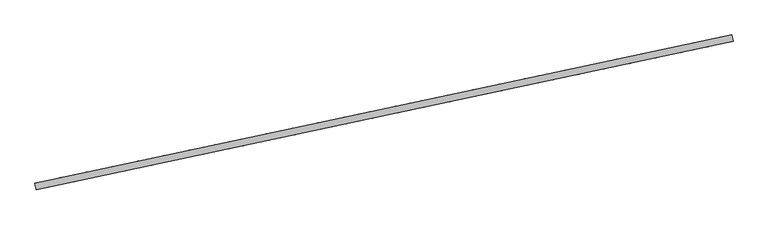
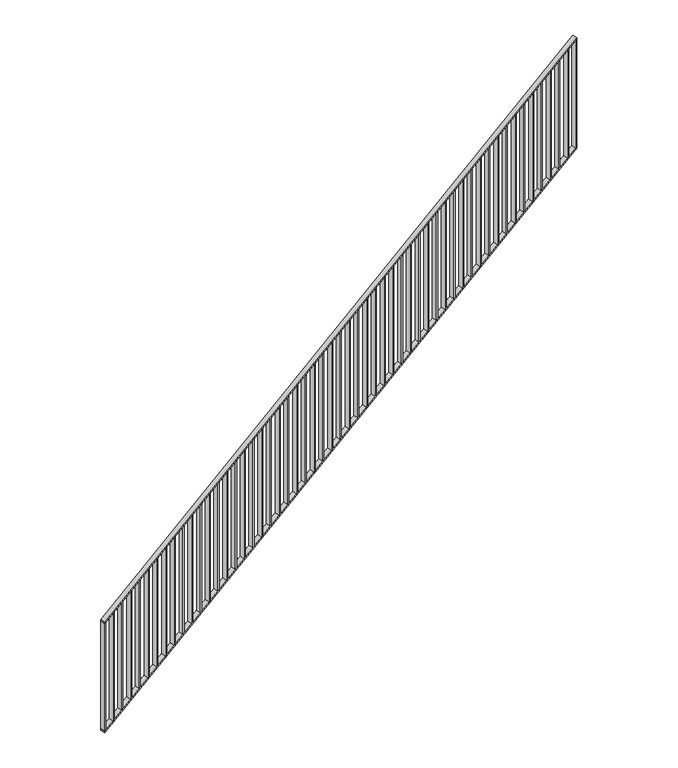
"""IFC4 building model written with IfcOpenShell, lengths in millimetres: railing geometry."""

import ifcopenshell
import ifcopenshell.guid

model = None  # the IFC model being written
_history = None  # IfcOwnerHistory: only IFC2X3 demands one
_inside = {}  # id of a spatial element -> (the spatial element, [elements in it])
_under = {}  # id of a project, library or spatial element -> (it, [spatial elements below it])
_declared = {}  # id of a project -> (the project, [libraries it declares])
_typed = {}  # id of a type object -> (the type object, [elements of that type])
_made_of = {}  # id of a material, layer set ... -> (it, [elements and type objects made of it])


def new_model(schema):
    """Start an empty IFC model of exactly this schema.

    Asked for "IFC4X3", IfcOpenShell would pick the latest addendum, in which some entities
    have other attributes; the version numbers below select the first issue.
    IFC2X3 requires an IfcOwnerHistory on every rooted entity: one is made here for all.
    """
    global model, _history
    if schema == "IFC4X3":
        model = ifcopenshell.file(schema_version=(4, 3, 0, 0))
    else:
        model = ifcopenshell.file(schema=schema)
    _inside.clear()
    _under.clear()
    _declared.clear()
    _typed.clear()
    _made_of.clear()
    _history = None
    if model.schema == "IFC2X3":
        org = make("IfcOrganization", Name="unknown")
        user = make(
            "IfcPersonAndOrganization",
            ThePerson=make("IfcPerson", FamilyName="unknown"),
            TheOrganization=org,
        )
        app = make(
            "IfcApplication",
            ApplicationDeveloper=org,
            Version="unknown",
            ApplicationFullName="unknown",
            ApplicationIdentifier="unknown",
        )
        _history = make(
            "IfcOwnerHistory",
            OwningUser=user,
            OwningApplication=app,
            ChangeAction="ADDED",
            CreationDate=0,
        )
    return model


def make(cls, **values):
    """One entity of the class cls with the attributes given. An attribute that is None is left unset."""
    return model.create_entity(
        cls, **{name: value for name, value in values.items() if value is not None}
    )


def rooted(cls, **values):
    """An entity with a GlobalId (a new one), such as an element, a storey or a relation."""
    return make(cls, GlobalId=ifcopenshell.guid.new(), OwnerHistory=_history, **values)


def si_unit(unit_type, name, prefix=None):
    """IfcSIUnit, for example si_unit("LENGTHUNIT", "METRE", prefix="MILLI")."""
    return make("IfcSIUnit", UnitType=unit_type, Prefix=prefix, Name=name)


def assignment(units):
    """IfcUnitAssignment: the units of a project."""
    return None if units is None else make("IfcUnitAssignment", Units=units)


def point(xyz):
    """IfcCartesianPoint."""
    return None if xyz is None else make("IfcCartesianPoint", Coordinates=xyz)


def direction(xyz):
    """IfcDirection."""
    return None if xyz is None else make("IfcDirection", DirectionRatios=xyz)


def frame(location, z_axis=None, x_axis=None):
    """IfcAxis2Placement3D, a coordinate frame: its origin and axes. An axis left out is left unset."""
    return make(
        "IfcAxis2Placement3D",
        Location=point(location),
        Axis=direction(z_axis),
        RefDirection=direction(x_axis),
    )


def origin():
    """The frame at (0, 0, 0) with its axes left unset."""
    return frame((0.0, 0.0, 0.0))


def place(relative_to, where):
    """IfcLocalPlacement: puts the frame where relative to a parent placement (None: the world)."""
    return make(
        "IfcLocalPlacement", PlacementRelTo=relative_to, RelativePlacement=where
    )


def context(
    kind, dimensions, precision=None, world=None, true_north=None, identifier=None
):
    """IfcGeometricRepresentationContext, for example the 3D "Model" context."""
    return make(
        "IfcGeometricRepresentationContext",
        ContextIdentifier=identifier,
        ContextType=kind,
        CoordinateSpaceDimension=dimensions,
        Precision=precision,
        WorldCoordinateSystem=world,
        TrueNorth=true_north,
    )


def project(units=None, contexts=None):
    """IfcProject with its units and contexts."""
    return rooted(
        "IfcProject",
        Name="project",
        RepresentationContexts=contexts,
        UnitsInContext=assignment(units),
    )


def spatial(cls, under=None, at=None, **own):
    """A site, building, storey or space (cls), placed at a placement, below another one or the project."""
    s = rooted(cls, ObjectPlacement=at, **own)
    if under is not None:
        _under.setdefault(under.id(), (under, []))[1].append(s)
    return s


def polyline(points):
    """IfcPolyline through the points."""
    return make("IfcPolyline", Points=[point(p) for p in points])


def outline(outer, holes=None, kind="AREA"):
    """IfcArbitraryClosedProfileDef: a profile drawn as a closed curve; with holes, ...WithVoids."""
    if holes is None:
        return make("IfcArbitraryClosedProfileDef", ProfileType=kind, OuterCurve=outer)
    return make(
        "IfcArbitraryProfileDefWithVoids",
        ProfileType=kind,
        OuterCurve=outer,
        InnerCurves=holes,
    )


def extrude(swept, where, along, depth):
    """IfcExtrudedAreaSolid: the profile swept, set in the frame where, extruded along a direction by depth."""
    return make(
        "IfcExtrudedAreaSolid",
        SweptArea=swept,
        Position=where,
        ExtrudedDirection=direction(along),
        Depth=depth,
    )


def shape(context_of_items, identifier, shape_type, items):
    """IfcShapeRepresentation: the items that make up one representation, for example the "Body"."""
    return make(
        "IfcShapeRepresentation",
        ContextOfItems=context_of_items,
        RepresentationIdentifier=identifier,
        RepresentationType=shape_type,
        Items=items,
    )


def source(mapping_origin, context_of_items, identifier, shape_type, items):
    """IfcRepresentationMap: a shape defined once, which mapped items show again and again."""
    return make(
        "IfcRepresentationMap",
        MappingOrigin=mapping_origin,
        MappedRepresentation=shape(context_of_items, identifier, shape_type, items),
    )


def transform(
    local_origin,
    x_axis=None,
    y_axis=None,
    z_axis=None,
    scale=None,
    scale2=None,
    scale3=None,
    uniform=True,
):
    """IfcCartesianTransformationOperator3D, or its non-uniform kind. x_axis, y_axis, z_axis: its Axis1, 2, 3."""
    if uniform:
        return make(
            "IfcCartesianTransformationOperator3D",
            Axis1=direction(x_axis),
            Axis2=direction(y_axis),
            LocalOrigin=point(local_origin),
            Scale=scale,
            Axis3=direction(z_axis),
        )
    return make(
        "IfcCartesianTransformationOperator3DnonUniform",
        Axis1=direction(x_axis),
        Axis2=direction(y_axis),
        LocalOrigin=point(local_origin),
        Scale=scale,
        Axis3=direction(z_axis),
        Scale2=scale2,
        Scale3=scale3,
    )


def mapped(mapping_source, mapping_target):
    """IfcMappedItem: shows the shape of a source again, moved by a transform."""
    return make(
        "IfcMappedItem", MappingSource=mapping_source, MappingTarget=mapping_target
    )


def made_of(thing, what):
    """Note that an element or type object is made of a material, layer set ...; save() writes the relation."""
    if what is not None:
        _made_of.setdefault(what.id(), (what, []))[1].append(thing)
    return thing


def element(
    cls,
    number,
    at=None,
    inside=None,
    cuts=None,
    type_object=None,
    material=None,
    context=None,
    identifier="Body",
    shape_type=None,
    held_by="IfcProductDefinitionShape",
    body=None,
    shapes=None,
    **own,
):
    """One element of the class cls, such as IfcWall. Its Tag is "e" and its number.

    at: its placement. inside: the storey or other place that contains it. cuts: it is an
    opening in that element (IfcRelVoidsElement). A single representation is given by context,
    identifier, shape_type and body (its items); several are given by shapes. held_by: the class
    of the entity that holds the representations. save() writes the other relations.
    """
    e = rooted(cls, Tag="e%d" % number, ObjectPlacement=at, **own)
    if body is not None:
        shapes = [shape(context, identifier, shape_type, body)]
    if shapes is not None:
        e.Representation = make(held_by, Representations=shapes)
    if inside is not None:
        _inside.setdefault(inside.id(), (inside, []))[1].append(e)
    if cuts is not None:
        rooted(
            "IfcRelVoidsElement", RelatingBuildingElement=cuts, RelatedOpeningElement=e
        )
    if type_object is not None:
        _typed.setdefault(type_object.id(), (type_object, []))[1].append(e)
    return made_of(e, material)


def aggregate(whole, parts):
    """IfcRelAggregates: a whole, such as a stair, and the parts it consists of."""
    return rooted("IfcRelAggregates", RelatingObject=whole, RelatedObjects=parts)


def save(model, path):
    """Write the relations noted so far, then the file.

    IfcRelAggregates (storeys below a building ...), IfcRelContainedInSpatialStructure (elements
    in a storey), IfcRelDefinesByType, IfcRelAssociatesMaterial and IfcRelDeclares: one each for
    every whole, place, type object, material and project.
    """
    for whole, parts in _under.values():
        aggregate(whole, parts)
    for where, things in _inside.values():
        rooted(
            "IfcRelContainedInSpatialStructure",
            RelatedElements=things,
            RelatingStructure=where,
        )
    for kind, things in _typed.values():
        rooted("IfcRelDefinesByType", RelatedObjects=things, RelatingType=kind)
    for what, things in _made_of.values():
        rooted("IfcRelAssociatesMaterial", RelatedObjects=things, RelatingMaterial=what)
    for by, libraries in _declared.values():
        rooted("IfcRelDeclares", RelatingContext=by, RelatedDefinitions=libraries)
    model.write(path)


def railing_edc77df6(model_context):
    return source(origin(), model_context, "Body", "SweptSolid", [
        extrude(outline(polyline([(6.5500955, -10.0), (0.0, 0.0), (5132.946191, 0.0), (5139.4962865, -10.0), (6.5500955, -10.0)])), frame((20003.0355107, -81914.280955, 1175.5457643), z_axis=(-0.20791169081775962, 0.9781476007338056, 0.0), x_axis=(0.8182435279368776, 0.17392303090701164, 0.5479309338863166)), (0.0, 0.0, 1.0), 40.0),
        extrude(outline(polyline([(6.5500955, -10.0), (0.0, 0.0), (5132.946191, 0.0), (5139.4962865, -10.0), (6.5500955, -10.0)])), frame((20003.0355107, -81914.280955, 275.5457643), z_axis=(-0.20791169081775962, 0.9781476007338057, 0.0), x_axis=(0.8182435279368775, 0.1739230309070116, 0.5479309338863166)), (0.0, 0.0, 1.0), 40.0),
        extrude(outline(polyline([(103.2750478, 0.0), (993.2750478, 0.0), (986.7249523, -10.0), (96.7249523, -10.0), (103.2750478, 0.0)])), frame((24120.3669949, -81039.1151314, 4037.9166667), z_axis=(-0.20791169081775962, 0.9781476007338056, 0.0), x_axis=(0.0, 0.0, -1.0)), (0.0, 0.0, 1.0), 40.0),
        extrude(outline(polyline([(103.2750477, 0.0), (993.2750477, 0.0), (986.7249522, -10.0), (96.7249522, -10.0), (103.2750477, 0.0)])), frame((24042.5892171, -81055.6473084, 3985.8333333), z_axis=(-0.20791169081775962, 0.9781476007338056, 0.0), x_axis=(0.0, 0.0, -1.0)), (0.0, 0.0, 1.0), 40.0),
        extrude(outline(polyline([(103.2750478, 0.0), (993.2750478, 0.0), (986.7249522, -10.0000001), (96.7249522, -10.0000001), (103.2750478, 0.0)])), frame((23964.8114393, -81072.1794855, 3933.75), z_axis=(-0.20791169081775962, 0.9781476007338056, 0.0), x_axis=(0.0, 0.0, -1.0)), (0.0, 0.0, 1.0), 40.0),
        extrude(outline(polyline([(103.2750478, 0.0), (993.2750478, 0.0), (986.7249523, -10.0), (96.7249523, -10.0), (103.2750478, 0.0)])), frame((23887.0336616, -81088.7116625, 3881.6666667), z_axis=(-0.20791169081775962, 0.9781476007338056, 0.0), x_axis=(0.0, 0.0, -1.0)), (0.0, 0.0, 1.0), 40.0),
        extrude(outline(polyline([(103.2750477, 0.0), (993.2750477, 0.0), (986.7249522, -10.0), (96.7249522, -10.0), (103.2750477, 0.0)])), frame((23809.2558838, -81105.2438395, 3829.5833333), z_axis=(-0.20791169081775962, 0.9781476007338056, 0.0), x_axis=(0.0, 0.0, -1.0)), (0.0, 0.0, 1.0), 40.0),
        extrude(outline(polyline([(103.2750478, 0.0), (993.2750478, 0.0), (986.7249522, -10.0), (96.7249522, -10.0), (103.2750478, 0.0)])), frame((23731.478106, -81121.7760165, 3777.5), z_axis=(-0.20791169081775962, 0.9781476007338056, 0.0), x_axis=(0.0, 0.0, -1.0)), (0.0, 0.0, 1.0), 40.0),
        extrude(outline(polyline([(103.2750478, 0.0), (993.2750478, 0.0), (986.7249523, -10.0), (96.7249523, -10.0), (103.2750478, 0.0)])), frame((23653.7003282, -81138.3081935, 3725.4166667), z_axis=(-0.20791169081775962, 0.9781476007338056, 0.0), x_axis=(0.0, 0.0, -1.0)), (0.0, 0.0, 1.0), 40.0),
        extrude(outline(polyline([(103.2750477, 0.0), (993.2750477, 0.0), (986.7249522, -10.0), (96.7249522, -10.0), (103.2750477, 0.0)])), frame((23575.9225505, -81154.8403706, 3673.3333333), z_axis=(-0.20791169081775962, 0.9781476007338056, 0.0), x_axis=(0.0, 0.0, -1.0)), (0.0, 0.0, 1.0), 40.0),
        extrude(outline(polyline([(103.2750478, 0.0), (993.2750478, 0.0), (986.7249522, -10.0), (96.7249522, -10.0), (103.2750478, 0.0)])), frame((23498.1447727, -81171.3725476, 3621.25), z_axis=(-0.20791169081775962, 0.9781476007338056, 0.0), x_axis=(0.0, 0.0, -1.0)), (0.0, 0.0, 1.0), 40.0),
        extrude(outline(polyline([(103.2750478, 0.0), (993.2750478, 0.0), (986.7249523, -10.0), (96.7249523, -10.0), (103.2750478, 0.0)])), frame((23420.3669949, -81187.9047246, 3569.1666667), z_axis=(-0.20791169081775962, 0.9781476007338056, 0.0), x_axis=(0.0, 0.0, -1.0)), (0.0, 0.0, 1.0), 40.0),
        extrude(outline(polyline([(103.2750477, 0.0), (993.2750477, 0.0), (986.7249522, -10.0), (96.7249522, -10.0), (103.2750477, 0.0)])), frame((23342.5892171, -81204.4369016, 3517.0833333), z_axis=(-0.20791169081775962, 0.9781476007338056, 0.0), x_axis=(0.0, 0.0, -1.0)), (0.0, 0.0, 1.0), 40.0),
        extrude(outline(polyline([(103.2750478, 0.0), (993.2750478, 0.0), (986.7249522, -10.0000001), (96.7249522, -10.0000001), (103.2750478, 0.0)])), frame((23264.8114393, -81220.9690786, 3465.0), z_axis=(-0.20791169081775962, 0.9781476007338056, 0.0), x_axis=(0.0, 0.0, -1.0)), (0.0, 0.0, 1.0), 40.0),
        extrude(outline(polyline([(103.2750478, 0.0), (993.2750478, 0.0), (986.7249523, -10.0), (96.7249523, -10.0), (103.2750478, 0.0)])), frame((23187.0336616, -81237.5012557, 3412.9166667), z_axis=(-0.20791169081775962, 0.9781476007338056, 0.0), x_axis=(0.0, 0.0, -1.0)), (0.0, 0.0, 1.0), 40.0),
        extrude(outline(polyline([(103.2750477, 0.0), (993.2750477, 0.0), (986.7249522, -10.0), (96.7249522, -10.0), (103.2750477, 0.0)])), frame((23109.2558838, -81254.0334327, 3360.8333333), z_axis=(-0.20791169081775962, 0.9781476007338056, 0.0), x_axis=(0.0, 0.0, -1.0)), (0.0, 0.0, 1.0), 40.0),
        extrude(outline(polyline([(103.2750478, 0.0), (993.2750478, 0.0), (986.7249522, -10.0), (96.7249522, -10.0), (103.2750478, 0.0)])), frame((23031.478106, -81270.5656097, 3308.75), z_axis=(-0.20791169081775962, 0.9781476007338056, 0.0), x_axis=(0.0, 0.0, -1.0)), (0.0, 0.0, 1.0), 40.0),
        extrude(outline(polyline([(103.2750478, 0.0), (993.2750478, 0.0), (986.7249523, -10.0), (96.7249523, -10.0), (103.2750478, 0.0)])), frame((22953.7003282, -81287.0977867, 3256.6666667), z_axis=(-0.20791169081775962, 0.9781476007338056, 0.0), x_axis=(0.0, 0.0, -1.0)), (0.0, 0.0, 1.0), 40.0),
        extrude(outline(polyline([(103.2750477, 0.0), (993.2750477, 0.0), (986.7249522, -10.0), (96.7249522, -10.0), (103.2750477, 0.0)])), frame((22875.9225505, -81303.6299637, 3204.5833333), z_axis=(-0.20791169081775962, 0.9781476007338056, 0.0), x_axis=(0.0, 0.0, -1.0)), (0.0, 0.0, 1.0), 40.0),
        extrude(outline(polyline([(103.2750478, 0.0), (993.2750478, 0.0), (986.7249522, -10.0), (96.7249522, -10.0), (103.2750478, 0.0)])), frame((22798.1447727, -81320.1621407, 3152.5), z_axis=(-0.20791169081775962, 0.9781476007338056, 0.0), x_axis=(0.0, 0.0, -1.0)), (0.0, 0.0, 1.0), 40.0),
        extrude(outline(polyline([(103.2750478, 0.0), (993.2750478, 0.0), (986.7249523, -10.0), (96.7249523, -10.0), (103.2750478, 0.0)])), frame((22720.3669949, -81336.6943178, 3100.4166667), z_axis=(-0.20791169081775962, 0.9781476007338056, 0.0), x_axis=(0.0, 0.0, -1.0)), (0.0, 0.0, 1.0), 40.0),
        extrude(outline(polyline([(103.2750477, 0.0), (993.2750477, 0.0), (986.7249522, -10.0), (96.7249522, -10.0), (103.2750477, 0.0)])), frame((22642.5892171, -81353.2264948, 3048.3333333), z_axis=(-0.20791169081775962, 0.9781476007338056, 0.0), x_axis=(0.0, 0.0, -1.0)), (0.0, 0.0, 1.0), 40.0),
        extrude(outline(polyline([(103.2750478, 0.0), (993.2750478, 0.0), (986.7249522, -10.0000001), (96.7249522, -10.0000001), (103.2750478, 0.0)])), frame((22564.8114393, -81369.7586718, 2996.25), z_axis=(-0.20791169081775962, 0.9781476007338056, 0.0), x_axis=(0.0, 0.0, -1.0)), (0.0, 0.0, 1.0), 40.0),
        extrude(outline(polyline([(103.2750478, 0.0), (993.2750478, 0.0), (986.7249523, -10.0), (96.7249523, -10.0), (103.2750478, 0.0)])), frame((22487.0336616, -81386.2908488, 2944.1666667), z_axis=(-0.20791169081775962, 0.9781476007338056, 0.0), x_axis=(0.0, 0.0, -1.0)), (0.0, 0.0, 1.0), 40.0),
        extrude(outline(polyline([(103.2750477, 0.0), (993.2750477, 0.0), (986.7249522, -10.0), (96.7249522, -10.0), (103.2750477, 0.0)])), frame((22409.2558838, -81402.8230258, 2892.0833333), z_axis=(-0.20791169081775962, 0.9781476007338056, 0.0), x_axis=(0.0, 0.0, -1.0)), (0.0, 0.0, 1.0), 40.0),
        extrude(outline(polyline([(103.2750478, 0.0), (993.2750478, 0.0), (986.7249522, -10.0), (96.7249522, -10.0), (103.2750478, 0.0)])), frame((22331.478106, -81419.3552029, 2840.0), z_axis=(-0.20791169081775962, 0.9781476007338056, 0.0), x_axis=(0.0, 0.0, -1.0)), (0.0, 0.0, 1.0), 40.0),
        extrude(outline(polyline([(103.2750478, 0.0), (993.2750478, 0.0), (986.7249523, -10.0), (96.7249523, -10.0), (103.2750478, 0.0)])), frame((22253.7003282, -81435.8873799, 2787.9166667), z_axis=(-0.20791169081775962, 0.9781476007338056, 0.0), x_axis=(0.0, 0.0, -1.0)), (0.0, 0.0, 1.0), 40.0),
        extrude(outline(polyline([(103.2750477, 0.0), (993.2750477, 0.0), (986.7249522, -10.0), (96.7249522, -10.0), (103.2750477, 0.0)])), frame((22175.9225505, -81452.4195569, 2735.8333333), z_axis=(-0.20791169081775962, 0.9781476007338056, 0.0), x_axis=(0.0, 0.0, -1.0)), (0.0, 0.0, 1.0), 40.0),
        extrude(outline(polyline([(103.2750478, 0.0), (993.2750478, 0.0), (986.7249522, -10.0), (96.7249522, -10.0), (103.2750478, 0.0)])), frame((22098.1447727, -81468.9517339, 2683.75), z_axis=(-0.20791169081775962, 0.9781476007338056, 0.0), x_axis=(0.0, 0.0, -1.0)), (0.0, 0.0, 1.0), 40.0),
        extrude(outline(polyline([(103.2750478, 0.0), (993.2750478, 0.0), (986.7249523, -10.0), (96.7249523, -10.0), (103.2750478, 0.0)])), frame((22020.3669949, -81485.4839109, 2631.6666667), z_axis=(-0.20791169081775962, 0.9781476007338056, 0.0), x_axis=(0.0, 0.0, -1.0)), (0.0, 0.0, 1.0), 40.0),
        extrude(outline(polyline([(103.2750477, 0.0), (993.2750477, 0.0), (986.7249522, -10.0), (96.7249522, -10.0), (103.2750477, 0.0)])), frame((21942.5892171, -81502.016088, 2579.5833333), z_axis=(-0.20791169081775962, 0.9781476007338056, 0.0), x_axis=(0.0, 0.0, -1.0)), (0.0, 0.0, 1.0), 40.0),
        extrude(outline(polyline([(103.2750478, 0.0), (993.2750478, 0.0), (986.7249522, -10.0000001), (96.7249522, -10.0000001), (103.2750478, 0.0)])), frame((21864.8114393, -81518.548265, 2527.5), z_axis=(-0.20791169081775962, 0.9781476007338056, 0.0), x_axis=(0.0, 0.0, -1.0)), (0.0, 0.0, 1.0), 40.0),
        extrude(outline(polyline([(103.2750478, 0.0), (993.2750478, 0.0), (986.7249523, -10.0), (96.7249523, -10.0), (103.2750478, 0.0)])), frame((21787.0336616, -81535.080442, 2475.4166667), z_axis=(-0.20791169081775962, 0.9781476007338056, 0.0), x_axis=(0.0, 0.0, -1.0)), (0.0, 0.0, 1.0), 40.0),
        extrude(outline(polyline([(103.2750477, 0.0), (993.2750477, 0.0), (986.7249522, -10.0), (96.7249522, -10.0), (103.2750477, 0.0)])), frame((21709.2558838, -81551.612619, 2423.3333333), z_axis=(-0.20791169081775962, 0.9781476007338056, 0.0), x_axis=(0.0, 0.0, -1.0)), (0.0, 0.0, 1.0), 40.0),
        extrude(outline(polyline([(103.2750478, 0.0), (993.2750478, 0.0), (986.7249522, -10.0), (96.7249522, -10.0), (103.2750478, 0.0)])), frame((21631.478106, -81568.144796, 2371.25), z_axis=(-0.20791169081775962, 0.9781476007338056, 0.0), x_axis=(0.0, 0.0, -1.0)), (0.0, 0.0, 1.0), 40.0),
        extrude(outline(polyline([(103.2750478, 0.0), (993.2750478, 0.0), (986.7249523, -10.0), (96.7249523, -10.0), (103.2750478, 0.0)])), frame((21553.7003282, -81584.676973, 2319.1666667), z_axis=(-0.20791169081775962, 0.9781476007338056, 0.0), x_axis=(0.0, 0.0, -1.0)), (0.0, 0.0, 1.0), 40.0),
        extrude(outline(polyline([(103.2750477, 0.0), (993.2750477, 0.0), (986.7249522, -10.0), (96.7249522, -10.0), (103.2750477, 0.0)])), frame((21475.9225505, -81601.2091501, 2267.0833333), z_axis=(-0.20791169081775962, 0.9781476007338056, 0.0), x_axis=(0.0, 0.0, -1.0)), (0.0, 0.0, 1.0), 40.0),
        extrude(outline(polyline([(103.2750478, 0.0), (993.2750478, 0.0), (986.7249522, -10.0), (96.7249522, -10.0), (103.2750478, 0.0)])), frame((21398.1447727, -81617.7413271, 2215.0), z_axis=(-0.20791169081775962, 0.9781476007338056, 0.0), x_axis=(0.0, 0.0, -1.0)), (0.0, 0.0, 1.0), 40.0),
        extrude(outline(polyline([(103.2750478, 0.0), (993.2750478, 0.0), (986.7249523, -10.0), (96.7249523, -10.0), (103.2750478, 0.0)])), frame((21320.3669949, -81634.2735041, 2162.9166667), z_axis=(-0.20791169081775962, 0.9781476007338056, 0.0), x_axis=(0.0, 0.0, -1.0)), (0.0, 0.0, 1.0), 40.0),
        extrude(outline(polyline([(103.2750477, 0.0), (993.2750477, 0.0), (986.7249522, -10.0), (96.7249522, -10.0), (103.2750477, 0.0)])), frame((21242.5892171, -81650.8056811, 2110.8333333), z_axis=(-0.20791169081775962, 0.9781476007338056, 0.0), x_axis=(0.0, 0.0, -1.0)), (0.0, 0.0, 1.0), 40.0),
        extrude(outline(polyline([(103.2750478, 0.0), (993.2750478, 0.0), (986.7249522, -10.0000001), (96.7249522, -10.0000001), (103.2750478, 0.0)])), frame((21164.8114393, -81667.3378581, 2058.75), z_axis=(-0.20791169081775962, 0.9781476007338056, 0.0), x_axis=(0.0, 0.0, -1.0)), (0.0, 0.0, 1.0), 40.0),
        extrude(outline(polyline([(103.2750478, 0.0), (993.2750478, 0.0), (986.7249523, -10.0), (96.7249523, -10.0), (103.2750478, 0.0)])), frame((21087.0336616, -81683.8700352, 2006.6666667), z_axis=(-0.20791169081775962, 0.9781476007338056, 0.0), x_axis=(0.0, 0.0, -1.0)), (0.0, 0.0, 1.0), 40.0),
        extrude(outline(polyline([(103.2750477, 0.0), (993.2750477, 0.0), (986.7249522, -10.0), (96.7249522, -10.0), (103.2750477, 0.0)])), frame((21009.2558838, -81700.4022122, 1954.5833333), z_axis=(-0.20791169081775962, 0.9781476007338056, 0.0), x_axis=(0.0, 0.0, -1.0)), (0.0, 0.0, 1.0), 40.0),
        extrude(outline(polyline([(103.2750478, 0.0), (993.2750478, 0.0), (986.7249522, -10.0), (96.7249522, -10.0), (103.2750478, 0.0)])), frame((20931.478106, -81716.9343892, 1902.5), z_axis=(-0.20791169081775962, 0.9781476007338056, 0.0), x_axis=(0.0, 0.0, -1.0)), (0.0, 0.0, 1.0), 40.0),
        extrude(outline(polyline([(103.2750478, 0.0), (993.2750478, 0.0), (986.7249523, -10.0), (96.7249523, -10.0), (103.2750478, 0.0)])), frame((20853.7003282, -81733.4665662, 1850.4166667), z_axis=(-0.20791169081775962, 0.9781476007338056, 0.0), x_axis=(0.0, 0.0, -1.0)), (0.0, 0.0, 1.0), 40.0),
        extrude(outline(polyline([(103.2750477, 0.0), (993.2750477, 0.0), (986.7249522, -10.0), (96.7249522, -10.0), (103.2750477, 0.0)])), frame((20775.9225505, -81749.9987432, 1798.3333333), z_axis=(-0.20791169081775962, 0.9781476007338056, 0.0), x_axis=(0.0, 0.0, -1.0)), (0.0, 0.0, 1.0), 40.0),
        extrude(outline(polyline([(103.2750478, 0.0), (993.2750478, 0.0), (986.7249522, -10.0), (96.7249522, -10.0), (103.2750478, 0.0)])), frame((20698.1447727, -81766.5309203, 1746.25), z_axis=(-0.20791169081775962, 0.9781476007338056, 0.0), x_axis=(0.0, 0.0, -1.0)), (0.0, 0.0, 1.0), 40.0),
        extrude(outline(polyline([(103.2750478, 0.0), (993.2750478, 0.0), (986.7249523, -10.0), (96.7249523, -10.0), (103.2750478, 0.0)])), frame((20620.3669949, -81783.0630973, 1694.1666667), z_axis=(-0.20791169081775962, 0.9781476007338056, 0.0), x_axis=(0.0, 0.0, -1.0)), (0.0, 0.0, 1.0), 40.0),
        extrude(outline(polyline([(103.2750477, 0.0), (993.2750477, 0.0), (986.7249522, -10.0), (96.7249522, -10.0), (103.2750477, 0.0)])), frame((20542.5892171, -81799.5952743, 1642.0833333), z_axis=(-0.20791169081775962, 0.9781476007338056, 0.0), x_axis=(0.0, 0.0, -1.0)), (0.0, 0.0, 1.0), 40.0),
        extrude(outline(polyline([(103.2750478, 0.0), (993.2750478, 0.0), (986.7249522, -10.0000001), (96.7249522, -10.0000001), (103.2750478, 0.0)])), frame((20464.8114393, -81816.1274513, 1590.0), z_axis=(-0.20791169081775962, 0.9781476007338056, 0.0), x_axis=(0.0, 0.0, -1.0)), (0.0, 0.0, 1.0), 40.0),
        extrude(outline(polyline([(103.2750478, 0.0), (993.2750478, 0.0), (986.7249523, -10.0), (96.7249523, -10.0), (103.2750478, 0.0)])), frame((20387.0336616, -81832.6596283, 1537.9166667), z_axis=(-0.20791169081775962, 0.9781476007338056, 0.0), x_axis=(0.0, 0.0, -1.0)), (0.0, 0.0, 1.0), 40.0),
        extrude(outline(polyline([(103.2750477, 0.0), (993.2750477, 0.0), (986.7249522, -10.0), (96.7249522, -10.0), (103.2750477, 0.0)])), frame((20309.2558838, -81849.1918053, 1485.8333333), z_axis=(-0.20791169081775962, 0.9781476007338056, 0.0), x_axis=(0.0, 0.0, -1.0)), (0.0, 0.0, 1.0), 40.0),
        extrude(outline(polyline([(103.2750478, 0.0), (993.2750478, 0.0), (986.7249522, -10.0), (96.7249522, -10.0), (103.2750478, 0.0)])), frame((20231.478106, -81865.7239824, 1433.75), z_axis=(-0.20791169081775962, 0.9781476007338056, 0.0), x_axis=(0.0, 0.0, -1.0)), (0.0, 0.0, 1.0), 40.0),
        extrude(outline(polyline([(103.2750478, 0.0), (993.2750478, 0.0), (986.7249523, -10.0), (96.7249523, -10.0), (103.2750478, 0.0)])), frame((20153.7003282, -81882.2561594, 1381.6666667), z_axis=(-0.20791169081775962, 0.9781476007338056, 0.0), x_axis=(0.0, 0.0, -1.0)), (0.0, 0.0, 1.0), 40.0),
        extrude(outline(polyline([(103.2750477, 0.0), (993.2750477, 0.0), (986.7249522, -10.0), (96.7249522, -10.0), (103.2750477, 0.0)])), frame((20075.9225505, -81898.7883364, 1329.5833333), z_axis=(-0.20791169081775962, 0.9781476007338056, 0.0), x_axis=(0.0, 0.0, -1.0)), (0.0, 0.0, 1.0), 40.0),
        extrude(outline(polyline([(103.2750477, 0.0), (993.2750477, 0.0), (986.7249522, -10.0), (96.7249522, -10.0), (103.2750477, 0.0)])), frame((24193.2540347, -81023.6225129, 4086.7249522), z_axis=(-0.20791169081775962, 0.9781476007338056, 0.0), x_axis=(0.0, 0.0, -1.0)), (0.0, 0.0, 1.0), 40.0),
        extrude(outline(polyline([(103.2750478, 0.0), (993.2750478, 0.0), (986.7249523, -10.0), (96.7249523, -10.0), (103.2750478, 0.0)])), frame((20003.0355107, -81914.280955, 1280.7750478), z_axis=(-0.20791169081775962, 0.9781476007338056, 0.0), x_axis=(0.0, 0.0, -1.0)), (0.0, 0.0, 1.0), 40.0),
    ])


if __name__ == "__main__":
    model = new_model("IFC4")
    model_context = context("Model", 3, world=origin())
    ifc_project = project(units=[si_unit("LENGTHUNIT", "METRE", prefix="MILLI")], contexts=[model_context])
    site = spatial("IfcSite", under=ifc_project)
    building = spatial("IfcBuilding", under=site)
    placement = place(None, origin())
    railing_shape = railing_edc77df6(model_context)
    element("IfcRailing", 1, at=placement, inside=building, context=model_context, shape_type="MappedRepresentation", body=[
        mapped(railing_shape, transform((0.0, 0.0, 0.0), x_axis=(1.0, 0.0, 0.0), y_axis=(0.0, 1.0, 0.0), z_axis=(0.0, 0.0, 1.0))),
    ])
    save(model, "model.ifc")
